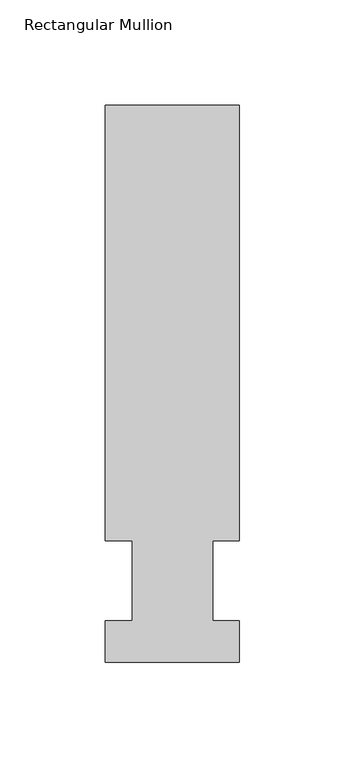
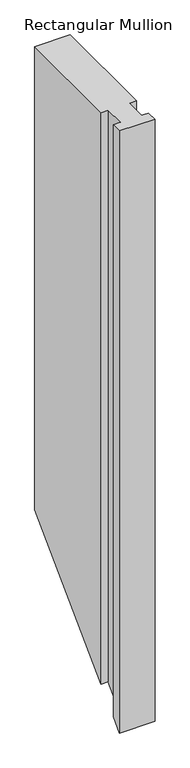
"""IFC4 building model written with IfcOpenShell, lengths in millimetres: member geometry, Rectangular Mullion."""

from ifc_helpers import new_model, si_unit, origin, place, context, project, spatial, faceted_brep, source, transform, mapped, element, save


def rectangular_mullion_2bcf9cf2(model_context):
    return source(origin(), model_context, "Body", "Brep", [
        faceted_brep([(-63.5, 57.6460937, 0.0), (-50.8, 57.6460937, 0.0), (-50.8, 19.5460938, 0.0), (-63.5, 19.5460938, 0.0), (-63.5, 0.0134938, 0.0), (0.0, 0.0134938, 0.0), (0.0, 19.5460938, 0.0), (-12.6873, 19.5460938, 0.0), (-12.6873, 57.6460937, 0.0), (0.0, 57.6460938, 0.0), (0.0, 264.0210938, 0.0), (-63.5, 264.0210938, 0.0), (-63.5, 57.6460937, -1085.3674), (-50.8, 57.6460937, -1085.3674), (-50.8, 19.5460938, -1123.4674), (-63.5, 19.5460938, -1123.4674), (-63.5, 0.0134938, -1143.0), (0.0, 0.0134938, -1143.0), (0.0, 19.5460938, -1123.4674), (-12.6873, 19.5460938, -1123.4674), (-12.6873, 57.6460938, -1085.3674), (0.0, 57.6460938, -1085.3674), (0.0, 264.0210938, -878.9924), (-63.5, 264.0210938, -878.9924)], [[[0, 1, 2, 3, 4, 5, 6, 7, 8, 9, 10, 11]], [[1, 0, 12, 13]], [[2, 1, 13, 14]], [[3, 2, 14, 15]], [[4, 3, 15, 16]], [[5, 4, 16, 17]], [[6, 5, 17, 18]], [[7, 6, 18, 19]], [[8, 7, 19, 20]], [[9, 8, 20, 21]], [[10, 9, 21, 22]], [[11, 10, 22, 23]], [[0, 11, 23, 12]], [[12, 23, 22, 21, 20, 19, 18, 17, 16, 15, 14, 13]]]),
    ])


if __name__ == "__main__":
    model = new_model("IFC4")
    model_context = context("Model", 3, world=origin())
    ifc_project = project(units=[si_unit("LENGTHUNIT", "METRE", prefix="MILLI")], contexts=[model_context])
    site = spatial("IfcSite", under=ifc_project)
    building = spatial("IfcBuilding", under=site)
    placement = place(None, origin())
    rectangular_mullion_shape = rectangular_mullion_2bcf9cf2(model_context)
    element("IfcMember", 1, ObjectType="Rectangular Mullion", at=placement, inside=building, context=model_context, shape_type="MappedRepresentation", body=[
        mapped(rectangular_mullion_shape, transform((0.0, 0.0, 0.0), x_axis=(1.0, 0.0, 0.0), y_axis=(0.0, 1.0, 0.0), z_axis=(0.0, 0.0, 1.0))),
    ])
    save(model, "model.ifc")
